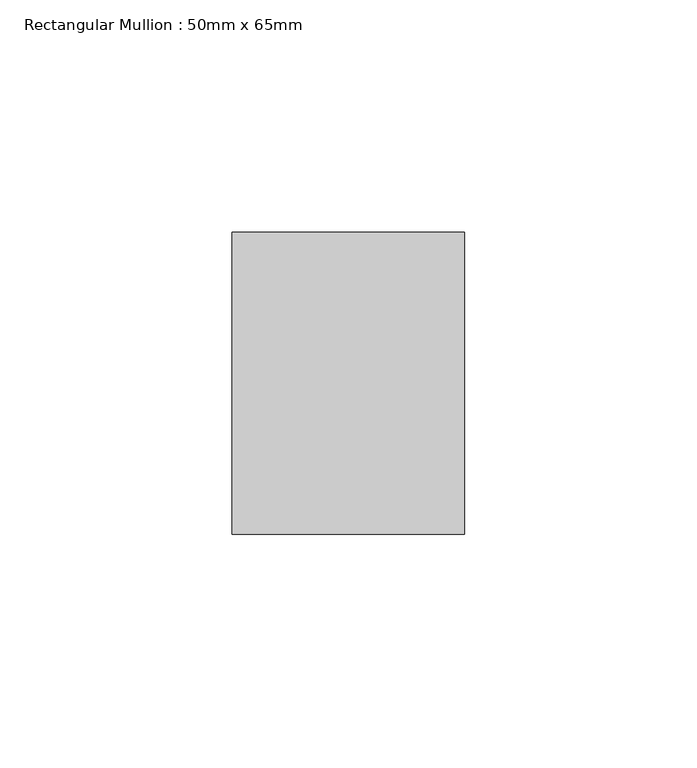
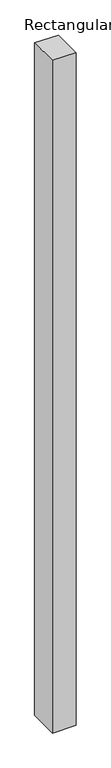
"""IFC4 building model written with IfcOpenShell, lengths in millimetres: member geometry, Rectangular Mullion : 50mm x 65mm."""

from ifc_helpers import new_model, si_unit, frame, origin, place, context, project, spatial, polyline, outline, extrude, source, transform, mapped, element, save


def rectangular_mullion_50mm_x_65mm_403fd223(model_context):
    return source(origin(), model_context, "Body", "SweptSolid", [
        extrude(outline(polyline([(-32.5, 0.1073307), (32.5, -0.1073307), (32.5, -1499.9556958), (-32.5, -1500.0443686), (-32.5, 0.1073307)])), frame((-25.0, 0.0, 0.0), z_axis=(1.0, 0.0, 0.0), x_axis=(0.0, 1.0, 0.0)), (0.0, 0.0, 1.0), 50.0),
    ])


if __name__ == "__main__":
    model = new_model("IFC4")
    model_context = context("Model", 3, world=origin())
    ifc_project = project(units=[si_unit("LENGTHUNIT", "METRE", prefix="MILLI")], contexts=[model_context])
    site = spatial("IfcSite", under=ifc_project)
    building = spatial("IfcBuilding", under=site)
    placement = place(None, origin())
    rectangular_mullion_50mm_x_65mm_shape = rectangular_mullion_50mm_x_65mm_403fd223(model_context)
    element("IfcMember", 1, ObjectType="Rectangular Mullion : 50mm x 65mm", at=placement, inside=building, context=model_context, shape_type="MappedRepresentation", body=[
        mapped(rectangular_mullion_50mm_x_65mm_shape, transform((0.0, 0.0, 0.0), x_axis=(1.0, 0.0, 0.0), y_axis=(0.0, 1.0, 0.0), z_axis=(0.0, 0.0, 1.0))),
    ])
    save(model, "model.ifc")
